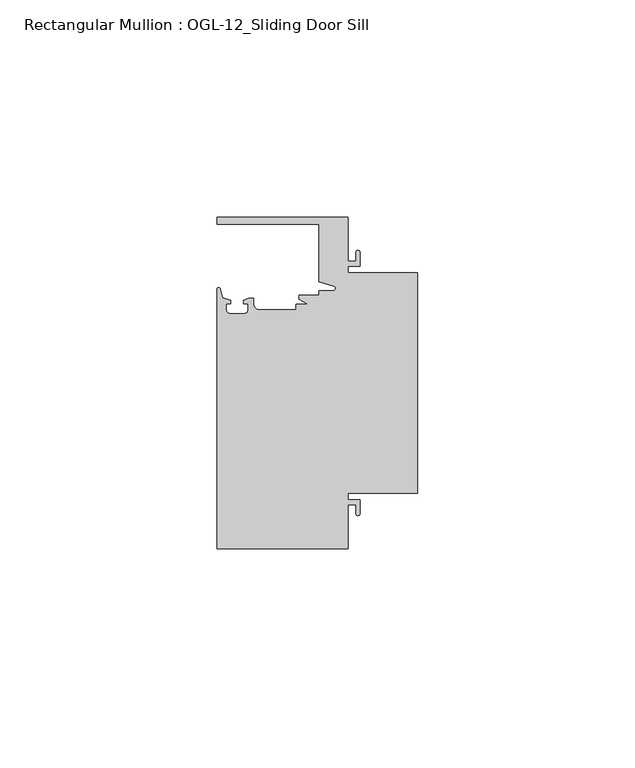
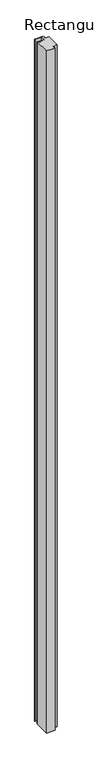
"""IFC4 building model written with IfcOpenShell, lengths in millimetres: member geometry, Rectangular Mullion : OGL-12_Sliding Door Sill."""

from ifc_helpers import new_model, si_unit, point, frame, frame_2d, origin, place, context, project, spatial, polyline, circle_curve, trimmed, segment, composite_curve, outline, extrude, source, transform, mapped, element, save


def rectangular_mullion_ogl_12_sliding_door_sill_7d3724ca(model_context):
    return source(origin(), model_context, "Body", "SweptSolid", [
        extrude(outline(composite_curve([segment(polyline([(0.0, 25.4), (0.0, -25.4), (-15.934238, -25.4), (-15.934238, -26.8479425), (-13.2417195, -26.8479425), (-13.2417195, -30.0428503)]), True, "CONTINUOUS"), segment(trimmed(circle_curve(frame_2d((-13.6974747, -30.0428503)), 0.4557552), [point((-13.2417195, -30.0428503))], [point((-14.15323, -30.0428503))], False, "CARTESIAN"), True, "CONTINUOUS"), segment(polyline([(-14.15323, -30.0428503), (-14.15323, -28.0544425), (-15.934238, -28.0544425), (-15.934238, -38.1003208), (-46.0931306, -38.1003208), (-46.0931306, 21.6259141)]), True, "CONTINUOUS"), segment(trimmed(circle_curve(frame_2d((-45.7573546, 21.6259141)), 0.335776), [point((-46.0931306, 21.6259141))], [point((-45.434586, 21.7184665))], False, "CARTESIAN"), True, "CONTINUOUS"), segment(polyline([(-45.434586, 21.7184665), (-44.83413, 19.6244274), (-43.0244711, 19.0364336), (-43.0244711, 18.2246744), (-44.0028338, 18.2246744), (-44.0028338, 16.7746773)]), True, "CONTINUOUS"), segment(trimmed(circle_curve(frame_2d((-43.2028354, 16.7746773)), 0.7999984), [point((-44.0028338, 16.7746773))], [point((-43.2028354, 15.9746789))], True, "CARTESIAN"), True, "CONTINUOUS"), segment(polyline([(-43.2028354, 15.9746789), (-39.8028422, 15.9746789)]), True, "CONTINUOUS"), segment(trimmed(circle_curve(frame_2d((-39.8028422, 16.7746773)), 0.7999984), [point((-39.8028422, 15.9746789))], [point((-39.0028438, 16.7746773))], True, "CARTESIAN"), True, "CONTINUOUS"), segment(polyline([(-39.0028438, 16.7746773), (-39.0028438, 18.2246744), (-39.9812066, 18.2246744), (-39.9812066, 19.0676205), (-38.8813571, 19.4491353), (-37.7528423, 19.4819389), (-37.7528423, 18.2799969)]), True, "CONTINUOUS"), segment(trimmed(circle_curve(frame_2d((-36.3386331, 18.2778896)), 1.4142107), [point((-37.7528423, 18.2799969))], [point((-36.3386331, 16.8636789))], True, "CARTESIAN"), True, "CONTINUOUS"), segment(polyline([(-36.3386331, 16.8636789), (-27.9268052, 16.8636789), (-27.9268052, 18.1505375), (-25.1995125, 18.1505375), (-27.2970068, 19.265795), (-27.2970068, 20.2164975), (-22.6027094, 20.2164975), (-22.6027094, 21.2536528), (-19.3562398, 21.2536528)]), True, "CONTINUOUS"), segment(trimmed(circle_curve(frame_2d((-19.3562398, 21.789076)), 0.5354233), [point((-19.3562398, 21.2536528))], [point((-19.2086572, 22.3037579))], True, "CARTESIAN"), True, "CONTINUOUS"), segment(polyline([(-19.2086572, 22.3037579), (-22.6260049, 23.2836666), (-22.6260049, 36.5121792), (-46.0931306, 36.5121792), (-46.0931306, 38.0996792), (-15.934238, 38.0996792), (-15.934238, 28.0538009), (-14.15323, 28.0538009), (-14.15323, 30.0428503)]), True, "CONTINUOUS"), segment(trimmed(circle_curve(frame_2d((-13.6974747, 30.0428503)), 0.4557552), [point((-14.15323, 30.0428503))], [point((-13.2417195, 30.0428503))], False, "CARTESIAN"), True, "CONTINUOUS"), segment(polyline([(-13.2417195, 30.0428503), (-13.2417195, 26.8473009), (-15.934238, 26.8473009), (-15.934238, 25.4), (0.0, 25.4)]), True, "CONTINUOUS")], self_intersect=False)), frame((0.0, 0.0, -2654.3), z_axis=(0.0, 0.0, 1.0), x_axis=(1.0, 0.0, 0.0)), (0.0, 0.0, 1.0), 2654.3),
    ])


if __name__ == "__main__":
    model = new_model("IFC4")
    model_context = context("Model", 3, world=origin())
    ifc_project = project(units=[si_unit("LENGTHUNIT", "METRE", prefix="MILLI")], contexts=[model_context])
    site = spatial("IfcSite", under=ifc_project)
    building = spatial("IfcBuilding", under=site)
    placement = place(None, origin())
    rectangular_mullion_ogl_12_sliding_door_sill_shape = rectangular_mullion_ogl_12_sliding_door_sill_7d3724ca(model_context)
    element("IfcMember", 1, ObjectType="Rectangular Mullion : OGL-12_Sliding Door Sill", at=placement, inside=building, context=model_context, shape_type="MappedRepresentation", body=[
        mapped(rectangular_mullion_ogl_12_sliding_door_sill_shape, transform((0.0, 0.0, 0.0), x_axis=(1.0, 0.0, 0.0), y_axis=(0.0, 1.0, 0.0), z_axis=(0.0, 0.0, 1.0))),
    ])
    save(model, "model.ifc")
